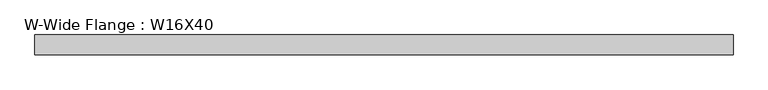
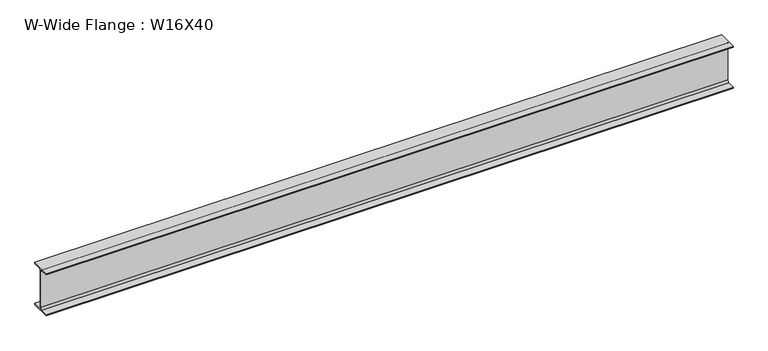
"""IFC4 building model written with IfcOpenShell, lengths in millimetres: beam geometry, W-Wide Flange : W16X40."""

from ifc_helpers import new_model, si_unit, point, frame, frame_2d, origin, place, context, project, spatial, polyline, circle_curve, trimmed, segment, composite_curve, outline, extrude, source, transform, mapped, element, save


def w_wide_flange_w16x40_60264cf1(model_context):
    return source(origin(), model_context, "Body", "SweptSolid", [
        extrude(outline(composite_curve([segment(polyline([(88.9, -190.4), (88.9, -203.2), (-88.9, -203.2), (-88.9, -190.4), (-21.25, -190.4)]), True, "CONTINUOUS"), segment(trimmed(circle_curve(frame_2d((-21.25, -173.0)), 17.4), [point((-21.25, -190.4))], [point((-3.85, -173.0))], True, "CARTESIAN"), True, "CONTINUOUS"), segment(polyline([(-3.85, -173.0), (-3.85, 173.0)]), True, "CONTINUOUS"), segment(trimmed(circle_curve(frame_2d((-21.25, 173.0)), 17.4), [point((-3.85, 173.0))], [point((-21.25, 190.4))], True, "CARTESIAN"), True, "CONTINUOUS"), segment(polyline([(-21.25, 190.4), (-88.9, 190.4), (-88.9, 203.2), (88.9, 203.2), (88.9, 190.4), (21.25, 190.4)]), True, "CONTINUOUS"), segment(trimmed(circle_curve(frame_2d((21.25, 173.0)), 17.4), [point((21.25, 190.4))], [point((3.85, 173.0))], True, "CARTESIAN"), True, "CONTINUOUS"), segment(polyline([(3.85, 173.0), (3.85, -173.0)]), True, "CONTINUOUS"), segment(trimmed(circle_curve(frame_2d((21.25, -173.0)), 17.4), [point((3.85, -173.0))], [point((21.25, -190.4))], True, "CARTESIAN"), True, "CONTINUOUS"), segment(polyline([(21.25, -190.4), (88.9, -190.4)]), True, "CONTINUOUS")], self_intersect=False)), frame((-735.4078589, 0.0, 0.0), z_axis=(1.0, 0.0, 0.0), x_axis=(0.0, 1.0, 0.0)), (0.0, 0.0, 1.0), 6246.4669751),
    ])


if __name__ == "__main__":
    model = new_model("IFC4")
    model_context = context("Model", 3, world=origin())
    ifc_project = project(units=[si_unit("LENGTHUNIT", "METRE", prefix="MILLI")], contexts=[model_context])
    site = spatial("IfcSite", under=ifc_project)
    building = spatial("IfcBuilding", under=site)
    placement = place(None, origin())
    w_wide_flange_w16x40_shape = w_wide_flange_w16x40_60264cf1(model_context)
    element("IfcBeam", 1, ObjectType="W-Wide Flange : W16X40", at=placement, inside=building, context=model_context, shape_type="MappedRepresentation", body=[
        mapped(w_wide_flange_w16x40_shape, transform((0.0, 0.0, 0.0), x_axis=(1.0, 0.0, 0.0), y_axis=(0.0, 1.0, 0.0), z_axis=(0.0, 0.0, 1.0))),
    ])
    save(model, "model.ifc")
